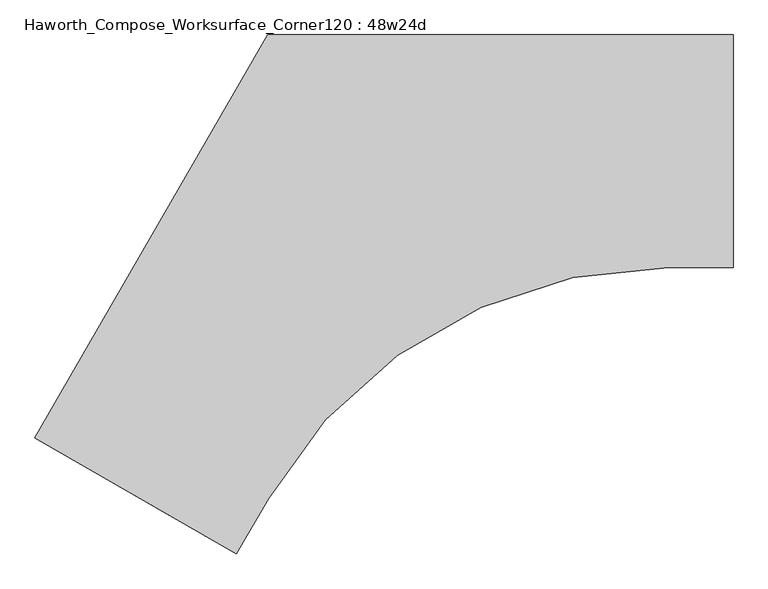
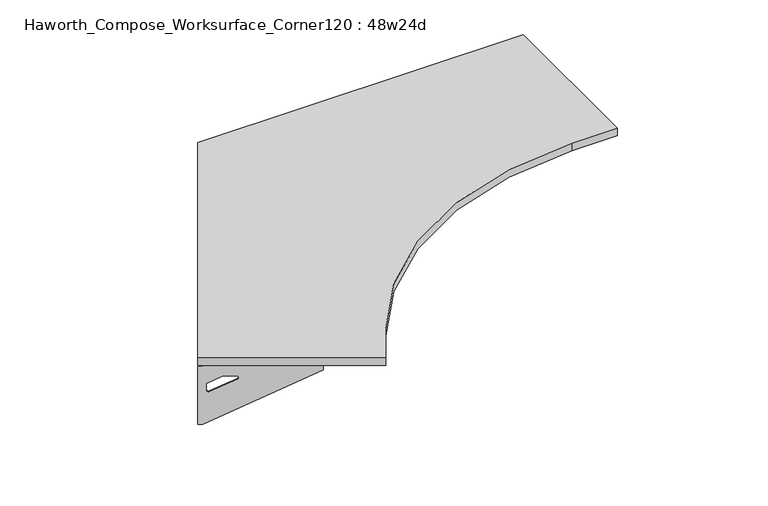
"""IFC4 building model written with IfcOpenShell, lengths in millimetres: furniture geometry, Haworth_Compose_Worksurface_Corner120 : 48w24d."""

from ifc_helpers import new_model, si_unit, point, frame, frame_2d, origin, place, context, project, spatial, polyline, circle_curve, trimmed, segment, composite_curve, outline, extrude, source, transform, mapped, element, save
from ifc_brep_helpers import plane_surface, revolved_surface, advanced_brep


def haworth_compose_worksurface_corner120_48w24d_91adaca6(model_context):
    return source(origin(), model_context, "Body", "SolidModel", [
        advanced_brep(
        [(454.81875, 304.8, 473.86875), (454.81875, 288.925, 473.86875), (454.81875, -101.6, 690.1317568), (454.81875, -101.6, 702.46875), (454.81875, 288.925, 702.46875), (454.81875, 304.8, 702.46875), (454.81875, 221.490072, 664.36875), (454.81875, 177.8355284, 664.36875), (454.81875, 175.1564235, 654.7830539), (454.81875, 266.8776173, 603.9901439), (454.81875, 276.225, 609.5881969), (454.81875, 276.225, 633.0985246), (454.81875, 274.4730055, 635.9367776), (454.81875, 224.5663437, 663.5738425), (457.2, 304.8, 473.86875), (457.2, 304.8, 702.46875), (457.2, 288.925, 702.46875), (457.2, 288.925, 704.85), (457.2, -101.6, 704.85), (457.2, -101.6, 690.1317568), (457.2, 288.925, 473.86875), (457.2, 221.490072, 664.36875), (457.2, 224.5663437, 663.5738425), (457.2, 274.4730055, 635.9367776), (457.2, 276.225, 633.0985246), (457.2, 276.225, 609.5881969), (457.2, 266.8776173, 603.9901439), (457.2, 175.1564235, 654.7830539), (457.2, 177.8355284, 664.36875), (415.925, -101.6, 704.85), (415.925, -101.6, 702.46875), (415.925, 288.925, 702.46875), (415.925, 288.925, 704.85)],
        [
            (0, 1),
            (1, 2),
            (2, 3),
            (3, 4),
            (4, 5),
            (5, 0),
            (6, 7),
            (7, 8, circle_curve(frame((454.81875, 177.8355284, 659.2015106), z_axis=(1.0, 0.0, 0.0), x_axis=(0.0, -1.0, 0.0)), 5.1672394)),
            (8, 9),
            (9, 10, circle_curve(frame((454.81875, 269.875, 609.5881969), z_axis=(1.0, 0.0, 0.0), x_axis=(0.0, -1.0, 0.0)), 6.35)),
            (10, 11),
            (11, 12, circle_curve(frame((454.81875, 273.05, 633.0985246), z_axis=(1.0, 0.0, 0.0), x_axis=(0.0, -1.0, 0.0)), 3.175)),
            (12, 13),
            (13, 6, circle_curve(frame((454.81875, 221.490072, 658.01875), z_axis=(1.0, 0.0, 0.0), x_axis=(0.0, -1.0, 0.0)), 6.35)),
            (14, 15),
            (15, 16),
            (16, 17),
            (17, 18),
            (18, 19),
            (19, 20),
            (20, 14),
            (21, 22, circle_curve(frame((457.2, 221.490072, 658.01875), z_axis=(-1.0, 0.0, 0.0), x_axis=(0.0, -1.0, 0.0)), 6.35)),
            (22, 23),
            (23, 24, circle_curve(frame((457.2, 273.05, 633.0985246), z_axis=(-1.0, 0.0, 0.0), x_axis=(0.0, -1.0, 0.0)), 3.175)),
            (24, 25),
            (25, 26, circle_curve(frame((457.2, 269.875, 609.5881969), z_axis=(-1.0, 0.0, 0.0), x_axis=(0.0, -1.0, 0.0)), 6.35)),
            (26, 27),
            (27, 28, circle_curve(frame((457.2, 177.8355284, 659.2015106), z_axis=(-1.0, 0.0, 0.0), x_axis=(0.0, -1.0, 0.0)), 5.1672394)),
            (28, 21),
            (4, 16),
            (15, 5),
            (14, 0),
            (20, 1),
            (19, 2),
            (18, 29),
            (29, 30),
            (30, 3),
            (6, 21),
            (28, 7),
            (9, 26),
            (25, 10),
            (24, 11),
            (23, 12),
            (27, 8),
            (31, 4),
            (30, 31),
            (32, 29),
            (17, 32),
            (31, 32),
            (22, 13),
        ],
        [
            plane_surface(frame((454.81875, 304.8, 473.86875), z_axis=(-1.0, 0.0, 0.0), x_axis=(0.0, 1.0, 0.0))),
            plane_surface(frame((457.2, 304.8, 473.86875), z_axis=(1.0, 0.0, 0.0), x_axis=(0.0, -1.0, 0.0))),
            plane_surface(frame((457.2, -101.6, 702.46875), z_axis=(0.0, 0.0, 1.0), x_axis=(-1.0, 0.0, 0.0))),
            plane_surface(frame((457.2, 304.8, 702.46875), z_axis=(0.0, 1.0, 0.0), x_axis=(-1.0, 0.0, 0.0))),
            plane_surface(frame((457.2, 304.8, 473.86875), z_axis=(0.0, 0.0, -1.0), x_axis=(-1.0, 0.0, 0.0))),
            plane_surface(frame((457.2, 288.925, 473.86875), z_axis=(0.0, -0.4844522351345575, -0.8748177135112957), x_axis=(-1.0, 0.0, 0.0))),
            plane_surface(frame((457.2, -101.6, 690.1317568), z_axis=(0.0, -1.0, 0.0), x_axis=(-1.0, 0.0, 0.0))),
            plane_surface(frame((457.2, 221.490072, 664.36875), z_axis=(0.0, 0.0, -1.0), x_axis=(-1.0, 0.0, 0.0))),
            revolved_surface(polyline([(454.81875, 263.525, 609.5881969), (457.2, 263.525, 609.5881969)]), (457.2, 269.875, 609.5881969), (-1.0, 0.0, 0.0)),
            plane_surface(frame((457.2, 276.225, 609.5881969), z_axis=(0.0, -1.0, 0.0), x_axis=(-1.0, 0.0, 0.0))),
            revolved_surface(polyline([(454.81875, 269.875, 633.0985246), (457.2, 269.875, 633.0985246)]), (457.2, 273.05, 633.0985246), (-1.0, 0.0, 0.0)),
            revolved_surface(polyline([(454.81875, 172.668289, 659.2015106), (457.2, 172.668289, 659.2015106)]), (457.2, 177.8355284, 659.2015106), (-1.0, 0.0, 0.0)),
            plane_surface(frame((457.2, 288.925, 702.46875), z_axis=(0.0, 0.0, -1.0), x_axis=(-1.0, 0.0, 0.0))),
            plane_surface(frame((457.2, 288.925, 704.85), z_axis=(0.0, 0.0, 1.0), x_axis=(1.0, 0.0, 0.0))),
            plane_surface(frame((415.925, 288.925, 704.85), z_axis=(0.0, 1.0, 0.0), x_axis=(0.0, 0.0, -1.0))),
            plane_surface(frame((415.925, -101.6, 704.85), z_axis=(-1.0, 0.0, 0.0), x_axis=(0.0, 0.0, -1.0))),
            plane_surface(frame((457.2, 175.1564235, 654.7830539), z_axis=(0.0, 0.4844522351341526, 0.8748177135115199), x_axis=(-1.0, 0.0, 0.0))),
            plane_surface(frame((457.2, 274.4730055, 635.9367776), z_axis=(0.0, -0.48445223513456226, -0.874817713511293), x_axis=(-1.0, 0.0, 0.0))),
            revolved_surface(polyline([(454.81875, 215.140072, 658.01875), (457.2, 215.140072, 658.01875)]), (457.2, 221.490072, 658.01875), (-1.0, 0.0, 0.0)),
        ],
        [
            (0, [[1, 2, 3, 4, 5, 6], [7, 8, 9, 10, 11, 12, 13, 14]]),
            (1, [[15, 16, 17, 18, 19, 20, 21], [22, 23, 24, 25, 26, 27, 28, 29]]),
            (2, [[-5, 30, -16, 31]]),
            (3, [[-31, -15, 32, -6]]),
            (4, [[-32, -21, 33, -1]]),
            (5, [[-33, -20, 34, -2]]),
            (6, [[-34, -19, 35, 36, 37, -3]]),
            (7, [[38, -29, 39, -7]]),
            (8, [[40, -26, 41, -10]]),
            (9, [[-41, -25, 42, -11]]),
            (10, [[-42, -24, 43, -12]]),
            (11, [[-39, -28, 44, -8]]),
            (12, [[45, -4, -37, 46]]),
            (13, [[47, -35, -18, 48]]),
            (14, [[-17, -30, -45, 49, -48]]),
            (15, [[-36, -47, -49, -46]]),
            (16, [[-44, -27, -40, -9]]),
            (17, [[-43, -23, 50, -13]]),
            (18, [[-50, -22, -38, -14]]),
        ],
    ),
        advanced_brep(
        [(-1370.409375, -748.9959493, 473.86875), (-1370.409375, -748.9959493, 702.46875), (-1356.6612217, -756.9334493, 702.46875), (-1018.4566509, -952.1959493, 702.46875), (-1018.4566509, -952.1959493, 690.1317568), (-1356.6612217, -756.9334493, 473.86875), (-1298.260861, -790.6509133, 664.36875), (-1300.9249904, -789.1127775, 663.5738425), (-1344.1454274, -764.1594465, 635.9367776), (-1345.6626991, -763.2834493, 633.0985246), (-1345.6626991, -763.2834493, 609.5881969), (-1337.5676282, -767.9571406, 603.9901439), (-1258.1347443, -813.8177376, 654.7830539), (-1260.4549172, -812.4781851, 664.36875), (-1371.6, -751.0581723, 473.86875), (-1357.8518467, -758.9956723, 473.86875), (-1019.6472759, -954.2581723, 690.1317568), (-1019.6472759, -954.2581723, 704.85), (-1357.8518467, -758.9956723, 704.85), (-1357.8518467, -758.9956723, 702.46875), (-1371.6, -751.0581723, 702.46875), (-1299.451486, -792.7131363, 664.36875), (-1261.6455422, -814.5404081, 664.36875), (-1259.3253693, -815.8799606, 654.7830539), (-1338.7582532, -770.0193636, 603.9901439), (-1346.8533241, -765.3456723, 609.5881969), (-1346.8533241, -765.3456723, 633.0985246), (-1345.3360524, -766.2216695, 635.9367776), (-1302.1156154, -791.1750004, 663.5738425), (-999.0097759, -918.5129738, 702.46875), (-999.0097759, -918.5129738, 704.85), (-1337.2143467, -723.2504738, 702.46875), (-1337.2143467, -723.2504738, 704.85)],
        [
            (0, 1),
            (1, 2),
            (2, 3),
            (3, 4),
            (4, 5),
            (5, 0),
            (6, 7, circle_curve(frame((-1298.260861, -790.6509133, 658.01875), z_axis=(-0.5000000000000026, -0.8660254037844374, 0.0), x_axis=(0.8660254037844372, -0.5000000000000024, 0.0)), 6.35)),
            (7, 8),
            (8, 9, circle_curve(frame((-1342.9130684, -764.8709493, 633.0985246), z_axis=(-0.5000000000000026, -0.8660254037844374, 0.0), x_axis=(0.8660254037844372, -0.5000000000000024, 0.0)), 3.175)),
            (9, 10),
            (10, 11, circle_curve(frame((-1340.1634378, -766.4584493, 609.5881969), z_axis=(-0.5000000000000026, -0.8660254037844374, 0.0), x_axis=(0.8660254037844372, -0.5000000000000024, 0.0)), 6.35)),
            (11, 12),
            (12, 13, circle_curve(frame((-1260.4549172, -812.4781851, 659.2015106), z_axis=(-0.5000000000000026, -0.8660254037844374, 0.0), x_axis=(0.8660254037844372, -0.5000000000000024, 0.0)), 5.1672394)),
            (13, 6),
            (14, 15),
            (15, 16),
            (16, 17),
            (17, 18),
            (18, 19),
            (19, 20),
            (20, 14),
            (21, 22),
            (22, 23, circle_curve(frame((-1261.6455422, -814.5404081, 659.2015106), z_axis=(0.5000000000000026, 0.8660254037844374, 0.0), x_axis=(0.8660254037844372, -0.5000000000000024, 0.0)), 5.1672394)),
            (23, 24),
            (24, 25, circle_curve(frame((-1341.3540628, -768.5206723, 609.5881969), z_axis=(0.5000000000000026, 0.8660254037844374, 0.0), x_axis=(0.8660254037844372, -0.5000000000000024, 0.0)), 6.35)),
            (25, 26),
            (26, 27, circle_curve(frame((-1344.1036934, -766.9331723, 633.0985246), z_axis=(0.5000000000000026, 0.8660254037844374, 0.0), x_axis=(0.8660254037844372, -0.5000000000000024, 0.0)), 3.175)),
            (27, 28),
            (28, 21, circle_curve(frame((-1299.451486, -792.7131363, 658.01875), z_axis=(0.5000000000000026, 0.8660254037844374, 0.0), x_axis=(0.8660254037844372, -0.5000000000000024, 0.0)), 6.35)),
            (1, 20),
            (19, 2),
            (0, 14),
            (5, 15),
            (4, 16),
            (3, 29),
            (29, 30),
            (30, 17),
            (13, 22),
            (21, 6),
            (10, 25),
            (24, 11),
            (9, 26),
            (8, 27),
            (12, 23),
            (31, 29),
            (2, 31),
            (32, 18),
            (30, 32),
            (32, 31),
            (7, 28),
        ],
        [
            plane_surface(frame((-1370.409375, -748.9959493, 473.86875), z_axis=(0.5000000000000026, 0.8660254037844373, 0.0), x_axis=(-0.8660254037844373, 0.5000000000000026, 0.0))),
            plane_surface(frame((-1371.6, -751.0581723, 473.86875), z_axis=(-0.5000000000000026, -0.8660254037844373, 0.0), x_axis=(0.8660254037844373, -0.5000000000000026, 0.0))),
            plane_surface(frame((-1019.6472759, -954.2581723, 702.46875), z_axis=(0.0, 0.0, 1.0), x_axis=(0.5000000000000011, 0.866025403784438, 0.0))),
            plane_surface(frame((-1371.6, -751.0581723, 702.46875), z_axis=(-0.866025403784438, 0.5000000000000011, 0.0), x_axis=(0.5000000000000011, 0.866025403784438, 0.0))),
            plane_surface(frame((-1371.6, -751.0581723, 473.86875), z_axis=(0.0, 0.0, -1.0), x_axis=(0.5000000000000011, 0.866025403784438, 0.0))),
            plane_surface(frame((-1357.8518467, -758.9956723, 473.86875), z_axis=(0.41954794254667943, -0.24222611756727808, -0.8748177135112957), x_axis=(0.5000000000000011, 0.866025403784438, 0.0))),
            plane_surface(frame((-1019.6472759, -954.2581723, 690.1317568), z_axis=(0.866025403784438, -0.5000000000000011, 0.0), x_axis=(0.5000000000000011, 0.866025403784438, 0.0))),
            plane_surface(frame((-1299.451486, -792.7131363, 664.36875), z_axis=(0.0, 0.0, -1.0), x_axis=(0.5000000000000011, 0.866025403784438, 0.0))),
            revolved_surface(polyline([(-1334.66417645195, -769.6334492483159, 609.5881969), (-1335.854801485969, -771.6956723000001, 609.5881969)]), (-1341.3540628, -768.5206723, 609.5881969), (0.5000000000000024, 0.8660254037844372, 0.0)),
            plane_surface(frame((-1346.8533241, -765.3456723, 609.5881969), z_axis=(0.866025403784438, -0.5000000000000011, 0.0), x_axis=(0.5000000000000011, 0.866025403784438, 0.0))),
            revolved_surface(polyline([(-1340.1634377398502, -766.4584493018095, 633.0985246), (-1341.3540627537307, -768.5206723186128, 633.0985246)]), (-1344.1036934, -766.9331723, 633.0985246), (0.5000000000000024, 0.8660254037844372, 0.0)),
            revolved_surface(polyline([(-1255.9799566090298, -815.0618048018096, 659.2015106), (-1257.1705816345157, -817.1240278387139, 659.2015106)]), (-1261.6455422, -814.5404081, 659.2015106), (0.5000000000000024, 0.8660254037844372, 0.0)),
            plane_surface(frame((-1357.8518467, -758.9956723, 702.46875), z_axis=(0.0, 0.0, -1.0), x_axis=(0.5000000000000011, 0.866025403784438, 0.0))),
            plane_surface(frame((-1357.8518467, -758.9956723, 704.85), z_axis=(0.0, 0.0, 1.0), x_axis=(-0.5000000000000011, -0.866025403784438, 0.0))),
            plane_surface(frame((-1337.2143467, -723.2504738, 704.85), z_axis=(-0.866025403784438, 0.5000000000000011, 0.0), x_axis=(0.0, 0.0, -1.0))),
            plane_surface(frame((-999.0097759, -918.5129738, 704.85), z_axis=(0.5000000000000011, 0.866025403784438, 0.0), x_axis=(0.0, 0.0, -1.0))),
            plane_surface(frame((-1259.3253693, -815.8799606, 654.7830539), z_axis=(-0.41954794254632877, 0.24222611756707563, 0.87481771351152), x_axis=(0.5000000000000011, 0.866025403784438, 0.0))),
            plane_surface(frame((-1345.3360524, -766.2216695, 635.9367776), z_axis=(0.4195479425466836, -0.24222611756728046, -0.874817713511293), x_axis=(0.5000000000000011, 0.866025403784438, 0.0))),
            revolved_surface(polyline([(-1292.7615996828345, -793.8259133018096, 658.01875), (-1293.9522246859688, -795.8881363, 658.01875)]), (-1299.451486, -792.7131363, 658.01875), (0.5000000000000024, 0.8660254037844372, 0.0)),
        ],
        [
            (0, [[1, 2, 3, 4, 5, 6], [7, 8, 9, 10, 11, 12, 13, 14]]),
            (1, [[15, 16, 17, 18, 19, 20, 21], [22, 23, 24, 25, 26, 27, 28, 29]]),
            (2, [[30, -20, 31, -2]]),
            (3, [[-1, 32, -21, -30]]),
            (4, [[-6, 33, -15, -32]]),
            (5, [[-5, 34, -16, -33]]),
            (6, [[-4, 35, 36, 37, -17, -34]]),
            (7, [[-14, 38, -22, 39]]),
            (8, [[-11, 40, -25, 41]]),
            (9, [[-10, 42, -26, -40]]),
            (10, [[-9, 43, -27, -42]]),
            (11, [[-13, 44, -23, -38]]),
            (12, [[45, -35, -3, 46]]),
            (13, [[47, -18, -37, 48]]),
            (14, [[-47, 49, -46, -31, -19]]),
            (15, [[-45, -49, -48, -36]]),
            (16, [[-12, -41, -24, -44]]),
            (17, [[-8, 50, -28, -43]]),
            (18, [[-7, -39, -29, -50]]),
        ],
    ),
        extrude(outline(composite_curve([segment(polyline([(-1371.6, -751.0581723), (-762.0, 304.8), (457.2, 304.8), (457.2, -304.8), (288.358911, -304.8)]), True, "CONTINUOUS"), segment(trimmed(circle_curve(frame_2d((288.358911, -1514.475)), 1209.675), [point((288.358911, -304.8))], [point((-759.2503693, -909.6375))], True, "CARTESIAN"), True, "CONTINUOUS"), segment(polyline([(-759.2503693, -909.6375), (-843.6709139, -1055.8581723), (-1371.6, -751.0581723)]), True, "CONTINUOUS")], self_intersect=False)), frame((0.0, 0.0, 706.4375), z_axis=(0.0, 0.0, 1.0), x_axis=(1.0, 0.0, 0.0)), (0.0, 0.0, 1.0), 30.1625),
    ])


if __name__ == "__main__":
    model = new_model("IFC4")
    model_context = context("Model", 3, world=origin())
    ifc_project = project(units=[si_unit("LENGTHUNIT", "METRE", prefix="MILLI")], contexts=[model_context])
    site = spatial("IfcSite", under=ifc_project)
    building = spatial("IfcBuilding", under=site)
    placement = place(None, origin())
    haworth_compose_worksurface_corner120_48w24d_shape = haworth_compose_worksurface_corner120_48w24d_91adaca6(model_context)
    element("IfcFurniture", 1, ObjectType="Haworth_Compose_Worksurface_Corner120 : 48w24d", at=placement, inside=building, context=model_context, shape_type="MappedRepresentation", body=[
        mapped(haworth_compose_worksurface_corner120_48w24d_shape, transform((0.0, 0.0, 0.0), x_axis=(1.0, 0.0, 0.0), y_axis=(0.0, 1.0, 0.0), z_axis=(0.0, 0.0, 1.0))),
    ])
    save(model, "model.ifc")
